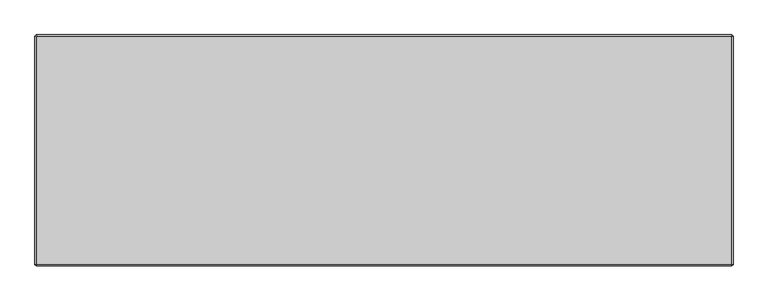
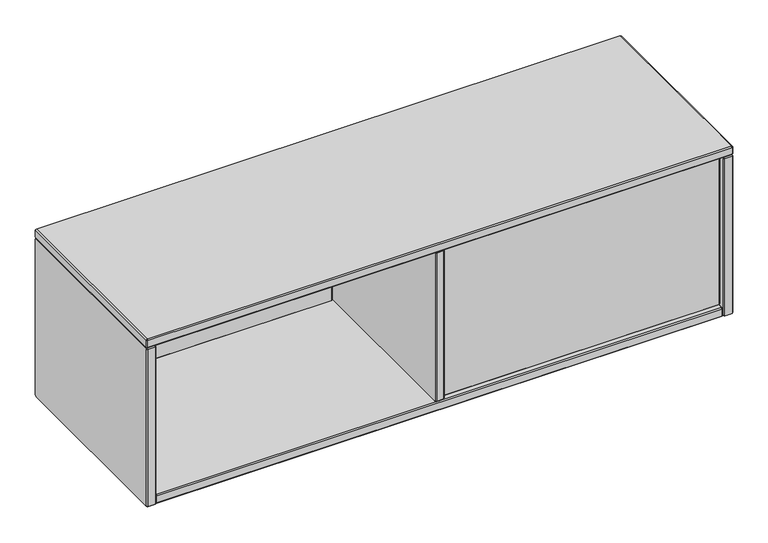
"""IFC4 building model written with IfcOpenShell, lengths in millimetres: furniture geometry."""

from ifc_helpers import new_model, si_unit, origin, place, context, project, spatial, faceted_brep, source, transform, mapped, element, save


def furniture_10b4cb96(model_context):
    return source(origin(), model_context, "Body", "Brep", [
        faceted_brep([(621.029997, -211.044618, 1077.0882749), (623.0620027, -209.0126123, 1077.9299592), (623.9093, -209.0126135, 1077.0826604), (623.0676165, -211.044618, 1075.0506555), (623.0676165, -226.2846087, 1075.0506555), (621.029997, -226.2846087, 1077.0882749), (623.9093008, -228.3166144, 1077.0826612), (623.0620019, -228.3166132, 1077.9299584), (1196.6344233, -209.0126135, 1077.08266), (1197.4761077, -211.044618, 1075.0506555), (1197.4761077, -226.2846087, 1075.0506555), (1196.6344233, -228.3166144, 1077.0826612), (1197.4830011, -209.0126135, 1077.9312373), (1199.515006, -211.044618, 1077.0895538), (1199.515006, -226.2846087, 1077.0895538), (1197.4830003, -228.3166144, 1077.9312381), (1197.4830014, -209.0126135, 1402.6848402), (1199.515006, -211.044618, 1403.5265245), (1199.515006, -226.2846087, 1403.5265245), (1197.4830003, -228.3166144, 1402.6848402), (1196.6357129, -209.0126135, 1403.5321292), (1197.4773964, -211.044618, 1405.5641341), (1197.4773964, -226.2846087, 1405.5641341), (1196.6357121, -228.3166144, 1403.5321284), (623.908012, -209.0126135, 1403.5321295), (623.0663277, -211.044618, 1405.5641341), (623.0663277, -226.2846087, 1405.5641341), (623.908012, -228.3166144, 1403.5321284), (623.0620019, -209.0126135, 1402.6861198), (621.029997, -211.044618, 1403.5278034), (621.029997, -226.2846087, 1403.5278034), (623.0620027, -228.3166144, 1402.686119)], [[[0, 1, 2, 3]], [[0, 3, 4, 5]], [[5, 4, 6, 7]], [[3, 2, 8, 9]], [[4, 3, 9, 10]], [[6, 4, 10, 11]], [[9, 8, 12, 13]], [[10, 9, 13, 14]], [[11, 10, 14, 15]], [[13, 12, 16, 17]], [[14, 13, 17, 18]], [[15, 14, 18, 19]], [[17, 16, 20, 21]], [[18, 17, 21, 22]], [[19, 18, 22, 23]], [[21, 20, 24, 25]], [[22, 21, 25, 26]], [[23, 22, 26, 27]], [[25, 24, 28, 29]], [[26, 25, 29, 30]], [[27, 26, 30, 31]], [[1, 0, 29, 28]], [[0, 5, 30, 29]], [[5, 7, 31, 30]], [[2, 1, 28, 24, 20, 16, 12, 8]], [[7, 6, 11, 15, 19, 23, 27, 31]]]),
        faceted_brep([(19.684994, 148.8452595, 1077.0882749), (21.7169997, 150.8772652, 1077.9299592), (22.5642978, 150.8772652, 1077.0826612), (21.7226135, 148.8452595, 1075.0506555), (21.7226135, 133.6052689, 1075.0506555), (19.684994, 133.6052689, 1077.0882749), (22.5642978, 131.5732632, 1077.0826612), (21.7169981, 131.5732654, 1077.9299576), (598.8454203, 150.8772652, 1077.0826612), (599.6871047, 148.8452595, 1075.0506555), (599.6871047, 133.6052689, 1075.0506555), (598.8454203, 131.5732632, 1077.0826612), (599.6939973, 150.8772652, 1077.9312381), (601.726003, 148.8452595, 1077.0895538), (601.726003, 133.6052689, 1077.0895538), (599.6939973, 131.5732632, 1077.9312381), (599.6939973, 150.8772652, 1402.6848402), (601.726003, 148.8452595, 1403.5265245), (601.726003, 133.6052689, 1403.5265245), (599.6939973, 131.5732632, 1402.6848402), (598.8467091, 150.8772652, 1403.5321284), (599.6883934, 148.8452595, 1405.5641341), (599.6883934, 133.6052689, 1405.5641341), (598.8467091, 131.5732632, 1403.5321284), (22.5630091, 150.8772652, 1403.5321284), (21.7213247, 148.8452595, 1405.5641341), (21.7213247, 133.6052689, 1405.5641341), (22.5630091, 131.5732632, 1403.5321284), (21.7169997, 150.8772652, 1402.686119), (19.684994, 148.8452595, 1403.5278034), (19.684994, 133.6052689, 1403.5278034), (21.7169997, 131.5732632, 1402.686119)], [[[0, 1, 2, 3]], [[0, 3, 4, 5]], [[5, 4, 6, 7]], [[3, 2, 8, 9]], [[4, 3, 9, 10]], [[6, 4, 10, 11]], [[9, 8, 12, 13]], [[10, 9, 13, 14]], [[11, 10, 14, 15]], [[13, 12, 16, 17]], [[14, 13, 17, 18]], [[15, 14, 18, 19]], [[17, 16, 20, 21]], [[18, 17, 21, 22]], [[19, 18, 22, 23]], [[21, 20, 24, 25]], [[22, 21, 25, 26]], [[23, 22, 26, 27]], [[25, 24, 28, 29]], [[26, 25, 29, 30]], [[27, 26, 30, 31]], [[1, 0, 29, 28]], [[0, 5, 30, 29]], [[5, 7, 31, 30]], [[2, 1, 28, 24, 20, 16, 12, 8]], [[7, 6, 11, 15, 19, 23, 27, 31]]]),
        faceted_brep([(0.381, 160.1899826, 1403.5321289), (0.381, 161.0359948, 1402.6861167), (0.381, 161.0359948, 1060.6585981), (0.381, 158.1641576, 1057.7805146), (0.381, -237.6617899, 1057.7773915), (0.381, -238.507861, 1058.6234626), (0.381, -238.5047378, 1402.6861258), (0.381, -237.6587347, 1403.5321289), (19.6849994, 161.035991, 1402.6861129), (19.6849994, 160.1899788, 1403.5321251), (19.6849994, -237.6587347, 1403.5321235), (19.6849994, -238.504734, 1402.686122), (19.6849994, -238.5047325, 1058.6265857), (19.6849994, -237.6649092, 1057.7805184), (19.6849994, 158.1610344, 1057.7773968), (19.6849994, 161.0391141, 1060.6554788), (2.4130052, 163.068, 1403.5278008), (2.4130052, 161.0316667, 1405.5641341), (17.6529888, 161.0316667, 1405.5641341), (17.6529888, 163.068, 1403.5278008), (2.4130052, -238.5004189, 1405.5641341), (17.6529888, -238.5004189, 1405.5641341), (2.4130052, -240.5367431, 1403.5278099), (17.6529888, -240.5367431, 1403.5278099), (2.4130052, -240.5367431, 1057.7786553), (17.6529888, -240.5367431, 1057.7786553), (2.4130052, -238.503474, 1055.7453862), (17.6529888, -238.503474, 1055.7453862), (2.4130052, 159.0027185, 1055.7453862), (17.6529888, 159.0027185, 1055.7453862), (2.4130052, 163.068, 1059.8106677), (17.6529888, 163.068, 1059.8106677)], [[[0, 1, 2, 3, 4, 5, 6, 7]], [[8, 9, 10, 11, 12, 13, 14, 15]], [[16, 1, 0, 17]], [[16, 17, 18, 19]], [[19, 18, 9, 8]], [[17, 0, 7, 20]], [[18, 17, 20, 21]], [[9, 18, 21, 10]], [[20, 7, 6, 22]], [[21, 20, 22, 23]], [[10, 21, 23, 11]], [[22, 6, 5, 24]], [[23, 22, 24, 25]], [[11, 23, 25, 12]], [[24, 5, 4, 26]], [[25, 24, 26, 27]], [[12, 25, 27, 13]], [[26, 4, 3, 28]], [[27, 26, 28, 29]], [[13, 27, 29, 14]], [[28, 3, 2, 30]], [[29, 28, 30, 31]], [[14, 29, 31, 15]], [[1, 16, 30, 2]], [[16, 19, 31, 30]], [[19, 8, 15, 31]]]),
        faceted_brep([(621.0300073, 159.0039823, 1402.6861094), (621.0300073, 158.1579701, 1403.5321216), (621.0300073, -235.5967084, 1403.5321186), (621.0300073, -236.4427043, 1402.6854873), (621.0300073, -236.4420701, 1077.9256086), (621.0300073, -235.5994407, 1077.0829835), (621.0300073, 156.1290292, 1077.0826709), (621.0300073, 159.0039823, 1079.9576283), (601.7253716, 158.157531, 1403.5316824), (601.7253716, 159.0035431, 1402.6856703), (601.7253716, 159.0033582, 1079.957621), (601.7253716, 156.1285828, 1077.0831071), (601.7253716, -235.5991324, 1077.083292), (601.7253716, -236.4413183, 1077.9257395), (601.7253716, -236.441449, 1402.6861258), (601.7253716, -235.5959464, 1403.5313668), (603.7580082, 161.0359948, 1403.5278008), (603.7580082, 158.9996615, 1405.5641341), (618.9979918, 158.9996615, 1405.5641341), (618.9979918, 161.0359948, 1403.5278008), (603.7580082, -236.4377614, 1405.5641341), (618.9979918, -236.4377614, 1405.5641341), (603.7580082, -238.4740856, 1403.5278099), (618.9979918, -238.4740856, 1403.5278099), (603.7580082, -238.4740856, 1077.0839245), (618.9979918, -238.4740856, 1077.0839245), (603.7580082, -236.4408165, 1075.0506555), (618.9979918, -236.4408165, 1075.0506555), (603.7580082, 156.9707133, 1075.0506555), (618.9979918, 156.9707133, 1075.0506555), (603.7580082, 161.0359948, 1079.1159369), (618.9979918, 161.0359948, 1079.1159369)], [[[0, 1, 2, 3, 4, 5, 6, 7]], [[8, 9, 10, 11, 12, 13, 14, 15]], [[16, 9, 8, 17]], [[16, 17, 18, 19]], [[19, 18, 1, 0]], [[17, 8, 15, 20]], [[18, 17, 20, 21]], [[1, 18, 21, 2]], [[20, 15, 14, 22]], [[21, 20, 22, 23]], [[2, 21, 23, 3]], [[22, 14, 13, 24]], [[23, 22, 24, 25]], [[3, 23, 25, 4]], [[24, 13, 12, 26]], [[25, 24, 26, 27]], [[4, 25, 27, 5]], [[26, 12, 11, 28]], [[27, 26, 28, 29]], [[5, 27, 29, 6]], [[28, 11, 10, 30]], [[29, 28, 30, 31]], [[6, 29, 31, 7]], [[9, 16, 30, 10]], [[16, 19, 31, 30]], [[19, 0, 7, 31]]]),
        faceted_brep([(1216.7869948, 163.0679927, 1403.5277978), (1201.5470112, 163.0679927, 1403.5277978), (1201.5470112, 161.0316637, 1405.5641268), (1216.7869948, 161.0316637, 1405.5641268), (1201.5470112, -238.5004158, 1405.5641268), (1216.7869948, -238.5004158, 1405.5641268), (1201.5470112, -240.5367358, 1403.5278069), (1216.7869948, -240.5367358, 1403.5278069), (1201.5470112, -240.5367358, 1057.7730446), (1216.7869948, -240.5367358, 1057.7730446), (1201.5470112, -238.503471, 1055.7397798), (1216.7869948, -238.503471, 1055.7397798), (1201.5470112, 159.0027155, 1055.7397798), (1216.7869948, 159.0027155, 1055.7397798), (1201.5470112, 163.0679927, 1059.805057), (1216.7869948, 163.0679927, 1059.805057), (1218.819, 160.1899796, 1403.5321216), (1218.819, 161.0359875, 1402.6861137), (1199.515006, 161.0359875, 1402.6861137), (1199.5150097, 160.1899822, 1403.5321242), (1218.819, -237.6587317, 1403.5321216), (1199.5150097, -237.6587317, 1403.5321253), (1218.819, -238.5047305, 1402.6861227), (1199.5150097, -238.5047332, 1402.6861254), (1218.819, -238.5047305, 1058.6147287), (1199.5150097, -238.5047343, 1058.6147287), (1218.819, -237.6617868, 1057.771785), (1199.5150097, -237.6617895, 1057.7717824), (1218.819, 158.1610314, 1057.771785), (1199.5150097, 158.1610314, 1057.7717813), (1218.819, 161.0359875, 1060.6467411), (1199.5150097, 161.0359901, 1060.6467385)], [[[0, 1, 2, 3]], [[3, 2, 4, 5]], [[5, 4, 6, 7]], [[7, 6, 8, 9]], [[9, 8, 10, 11]], [[11, 10, 12, 13]], [[13, 12, 14, 15]], [[1, 0, 15, 14]], [[0, 3, 16, 17]], [[2, 1, 18, 19]], [[3, 5, 20, 16]], [[4, 2, 19, 21]], [[5, 7, 22, 20]], [[6, 4, 21, 23]], [[7, 9, 24, 22]], [[8, 6, 23, 25]], [[9, 11, 26, 24]], [[10, 8, 25, 27]], [[11, 13, 28, 26]], [[12, 10, 27, 29]], [[13, 15, 30, 28]], [[14, 12, 29, 31]], [[15, 0, 17, 30]], [[1, 14, 31, 18]], [[19, 18, 31, 29, 27, 25, 23, 21]], [[17, 16, 20, 22, 24, 26, 28, 30]]]),
        faceted_brep([(2.4142691, 160.1937872, 1405.5641341), (0.381, 161.0359948, 1407.5974031), (2.4130052, 163.068, 1407.5974031), (3.2552128, 161.0347309, 1405.5641341), (0.381, 161.0359948, 1422.8305205), (2.4142691, 160.1937872, 1424.8637895), (3.2552128, 161.0347309, 1424.8637895), (2.4130052, 163.068, 1422.8305205), (1216.7869875, 163.068, 1407.5974031), (1215.9447799, 161.0347309, 1405.5641341), (1215.9447799, 161.0347309, 1424.8637895), (1216.7869875, 163.068, 1422.8305205), (1218.819, 161.0359875, 1407.5974031), (1216.7857309, 160.1937799, 1405.5641341), (1216.7857309, 160.1937799, 1424.8637895), (1218.819, 161.0359875, 1422.8305205), (1218.819, -238.5047363, 1407.5974031), (1216.7857309, -237.6625286, 1405.5641341), (1216.7857309, -237.6625286, 1424.8637895), (1218.819, -238.5047363, 1422.8305205), (1216.7869932, -240.5367431, 1407.5974031), (1215.9447856, -238.503474, 1405.5641341), (1215.9447856, -238.503474, 1424.8637895), (1216.7869932, -240.5367431, 1422.8305205), (2.413, -240.5367431, 1407.5974031), (3.2552076, -238.503474, 1405.5641341), (3.2552076, -238.503474, 1424.8637895), (2.413, -240.5367431, 1422.8305205), (0.381, -238.5047431, 1407.5974031), (2.4142691, -237.6625355, 1405.5641341), (2.4142691, -237.6625355, 1424.8637895), (0.381, -238.5047431, 1422.8305205)], [[[0, 1, 2, 3]], [[4, 5, 6, 7]], [[2, 1, 4, 7]], [[3, 2, 8, 9]], [[7, 6, 10, 11]], [[2, 7, 11, 8]], [[9, 8, 12, 13]], [[11, 10, 14, 15]], [[8, 11, 15, 12]], [[13, 12, 16, 17]], [[15, 14, 18, 19]], [[12, 15, 19, 16]], [[17, 16, 20, 21]], [[19, 18, 22, 23]], [[16, 19, 23, 20]], [[21, 20, 24, 25]], [[23, 22, 26, 27]], [[20, 23, 27, 24]], [[25, 24, 28, 29]], [[27, 26, 30, 31]], [[24, 27, 31, 28]], [[1, 0, 29, 28]], [[5, 4, 31, 30]], [[4, 1, 28, 31]], [[6, 5, 30, 26, 22, 18, 14, 10]], [[0, 3, 9, 13, 17, 21, 25, 29]]]),
        faceted_brep([(21.7182631, 160.1937872, 1055.751), (19.684994, 161.0359948, 1057.7842691), (21.7169992, 163.068, 1057.7842691), (22.5592069, 161.0347309, 1055.751), (19.684994, 161.0359948, 1073.0173864), (21.7182631, 160.1937872, 1075.0506555), (22.5631764, 161.0307614, 1075.0562692), (21.7169992, 163.068, 1073.0173864), (1197.4829972, 163.068, 1057.7842691), (1196.6407896, 161.0347309, 1055.751), (1196.6407896, 161.0291172, 1075.0562692), (1197.4829972, 163.068, 1073.0173864), (1199.5150097, 161.0359875, 1057.7842691), (1197.4817406, 160.1937799, 1055.751), (1197.4777711, 160.1898103, 1075.0562692), (1199.5150097, 161.0359875, 1073.0173864), (1199.5150097, -236.4420788, 1057.7842691), (1197.4817406, -235.5998711, 1055.751), (1197.4761269, -235.5998711, 1075.0562692), (1199.5150097, -236.4420788, 1073.0173864), (1197.4830029, -238.4740856, 1057.7842691), (1196.6407953, -236.4408165, 1055.751), (1196.6368258, -236.436847, 1075.0562692), (1197.4830029, -238.4740856, 1073.0173864), (21.716994, -238.4740856, 1057.7842691), (22.5592016, -236.4408165, 1055.751), (22.5592016, -236.4352027, 1075.0562692), (21.716994, -238.4740856, 1073.0173864), (19.684994, -236.4420856, 1057.7842691), (21.7182631, -235.599878, 1055.751), (21.7222326, -235.5959084, 1075.0562692), (19.684994, -236.4420856, 1073.0173864)], [[[0, 1, 2, 3]], [[4, 5, 6, 7]], [[2, 1, 4, 7]], [[3, 2, 8, 9]], [[7, 6, 10, 11]], [[2, 7, 11, 8]], [[9, 8, 12, 13]], [[11, 10, 14, 15]], [[8, 11, 15, 12]], [[13, 12, 16, 17]], [[15, 14, 18, 19]], [[12, 15, 19, 16]], [[17, 16, 20, 21]], [[19, 18, 22, 23]], [[16, 19, 23, 20]], [[21, 20, 24, 25]], [[23, 22, 26, 27]], [[20, 23, 27, 24]], [[25, 24, 28, 29]], [[27, 26, 30, 31]], [[24, 27, 31, 28]], [[1, 0, 29, 28]], [[5, 4, 31, 30]], [[4, 1, 28, 31]], [[6, 5, 30, 26, 22, 18, 14, 10]], [[0, 3, 9, 13, 17, 21, 25, 29]]]),
    ])


if __name__ == "__main__":
    model = new_model("IFC4")
    model_context = context("Model", 3, world=origin())
    ifc_project = project(units=[si_unit("LENGTHUNIT", "METRE", prefix="MILLI")], contexts=[model_context])
    site = spatial("IfcSite", under=ifc_project)
    building = spatial("IfcBuilding", under=site)
    placement = place(None, origin())
    furniture_shape = furniture_10b4cb96(model_context)
    element("IfcFurniture", 1, at=placement, inside=building, context=model_context, shape_type="MappedRepresentation", body=[
        mapped(furniture_shape, transform((0.0, 0.0, 0.0), x_axis=(1.0, 0.0, 0.0), y_axis=(0.0, 1.0, 0.0), z_axis=(0.0, 0.0, 1.0))),
    ])
    save(model, "model.ifc")
